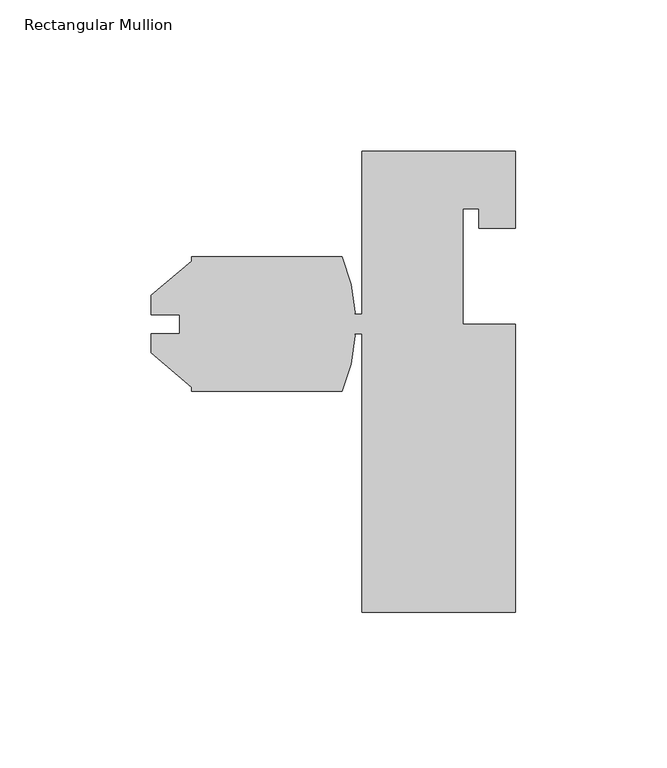
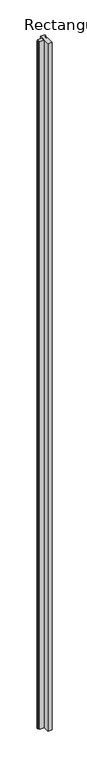
"""IFC4 building model written with IfcOpenShell, lengths in millimetres: member geometry, Rectangular Mullion."""

from ifc_helpers import new_model, si_unit, point, frame, frame_2d, origin, place, context, project, spatial, polyline, circle_curve, trimmed, segment, composite_curve, outline, extrude, source, transform, mapped, element, save


def rectangular_mullion_5ea1f39f(model_context):
    return source(origin(), model_context, "Body", "SweptSolid", [
        extrude(outline(composite_curve([segment(polyline([(25.4, -69.85), (-25.4, -69.85), (-25.4, 22.2249987), (-28.2390508, 22.2249987)]), True, "CONTINUOUS"), segment(trimmed(circle_curve(frame_2d((-28.3109623, 21.6659554)), 0.5636495), [point((-28.2390508, 22.2249987))], [point((-27.7579555, 21.5569408))], False, "CARTESIAN"), True, "CONTINUOUS"), segment(trimmed(circle_curve(frame_2d((-86.3568721, 25.4)), 58.7248), [point((-27.7579555, 21.5569408))], [point((-32.0001659, 3.175))], False, "CARTESIAN"), True, "CONTINUOUS"), segment(polyline([(-32.0001659, 3.175), (-81.7221699, 3.175), (-81.7221699, 4.5717067), (-95.1841699, 15.867666), (-95.1841699, 22.2379379), (-85.7607699, 22.2379379), (-85.7607699, 28.5620621), (-95.1841699, 28.5620621), (-95.1841699, 34.932334), (-81.7221699, 46.2282933), (-81.7221699, 47.625), (-32.0001659, 47.625)]), True, "CONTINUOUS"), segment(trimmed(circle_curve(frame_2d((-86.2138474, 25.4421724)), 58.5764552), [point((-32.0001659, 47.625))], [point((-27.7621158, 29.2626672))], False, "CARTESIAN"), True, "CONTINUOUS"), segment(trimmed(circle_curve(frame_2d((-28.3122417, 29.1356975)), 0.5645882), [point((-27.7621158, 29.2626672))], [point((-28.2460849, 28.5749987))], False, "CARTESIAN"), True, "CONTINUOUS"), segment(polyline([(-28.2460849, 28.5749987), (-25.4, 28.5749987), (-25.4, 82.55), (25.4, 82.55), (25.4, 57.15), (13.208, 57.15), (13.208, 63.5), (7.9502, 63.5), (7.9502, 25.4), (25.4, 25.4), (25.4, -69.85)]), True, "CONTINUOUS")], self_intersect=False)), frame((0.0, 0.0, -8635.0685723), z_axis=(0.0, 0.0, 1.0), x_axis=(1.0, 0.0, 0.0)), (0.0, 0.0, 1.0), 8635.0685723),
    ])


if __name__ == "__main__":
    model = new_model("IFC4")
    model_context = context("Model", 3, world=origin())
    ifc_project = project(units=[si_unit("LENGTHUNIT", "METRE", prefix="MILLI")], contexts=[model_context])
    site = spatial("IfcSite", under=ifc_project)
    building = spatial("IfcBuilding", under=site)
    placement = place(None, origin())
    rectangular_mullion_shape = rectangular_mullion_5ea1f39f(model_context)
    element("IfcMember", 1, ObjectType="Rectangular Mullion", at=placement, inside=building, context=model_context, shape_type="MappedRepresentation", body=[
        mapped(rectangular_mullion_shape, transform((0.0, 0.0, 0.0), x_axis=(1.0, 0.0, 0.0), y_axis=(0.0, 1.0, 0.0), z_axis=(0.0, 0.0, 1.0))),
    ])
    save(model, "model.ifc")
